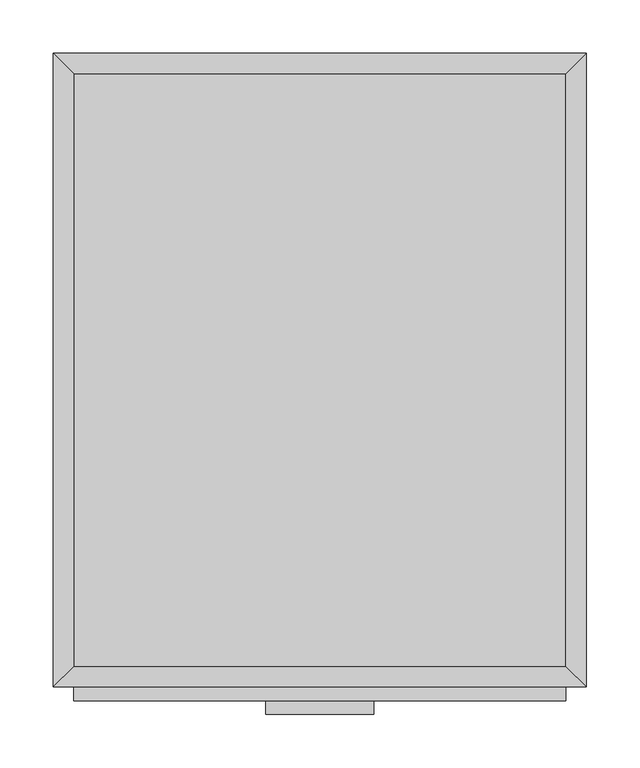
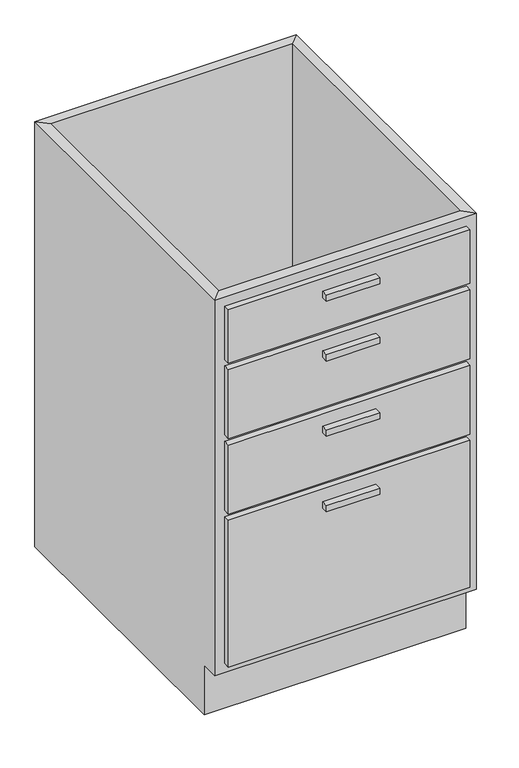
"""IFC4 building model written with IfcOpenShell, lengths in millimetres: furniture geometry."""

from ifc_helpers import new_model, si_unit, frame, origin, place, context, project, spatial, polyline, outline, extrude, faceted_brep, source, transform, mapped, element, save


def furniture_959beec6(model_context):
    return source(origin(), model_context, "Body", "SolidModel", [
        faceted_brep([(249.6877049, -575.95, 860.0), (249.6877049, -575.95, 100.0), (-212.2122951, -575.95, 100.0), (-212.2122951, -575.95, 860.0), (-231.2622951, -595.0, 860.0), (268.7377049, -595.0, 860.0), (-231.2622951, -595.0, 100.0), (268.7377049, -595.0, 100.0), (-212.2122951, -560.0, 100.0), (-212.2122951, -19.05, 100.0), (-212.2122951, -19.05, 860.0), (-231.2622951, 0.0, 860.0), (-231.2622951, 0.0, 0.0), (-231.2622951, -560.0, 0.0), (-231.2622951, -560.0, 100.0), (249.6877049, -19.05, 100.0), (249.6877049, -19.05, 860.0), (268.7377049, 0.0, 860.0), (268.7377049, 0.0, 0.0), (249.6877049, -560.0, 100.0), (268.7377049, -560.0, 100.0), (268.7377049, -560.0, 0.0)], [[[0, 1, 2, 3]], [[0, 3, 4, 5]], [[5, 4, 6, 7]], [[2, 1, 7, 6]], [[3, 2, 8, 9, 10]], [[4, 3, 10, 11]], [[6, 4, 11, 12, 13, 14]], [[2, 6, 14, 8]], [[10, 9, 15, 16]], [[11, 10, 16, 17]], [[12, 11, 17, 18]], [[1, 0, 16, 15, 19]], [[0, 5, 17, 16]], [[5, 7, 20, 21, 18, 17]], [[7, 1, 19, 20]], [[8, 19, 15, 9]], [[18, 21, 13, 12]], [[13, 21, 20, 19, 8, 14]]]),
        extrude(outline(polyline([(69.5377049, -620.4), (-32.0622951, -620.4), (-32.0622951, -607.7), (69.5377049, -607.7), (69.5377049, -620.4)])), frame((0.0, 0.0, 802.85), z_axis=(0.0, 0.0, 1.0), x_axis=(1.0, 0.0, 0.0)), (0.0, 0.0, 1.0), 12.7),
        extrude(outline(polyline([(69.5377049, -620.4), (-32.0622951, -620.4), (-32.0622951, -607.7), (69.5377049, -607.7), (69.5377049, -620.4)])), frame((0.0, 0.0, 682.2), z_axis=(0.0, 0.0, 1.0), x_axis=(1.0, 0.0, 0.0)), (0.0, 0.0, 1.0), 12.7),
        extrude(outline(polyline([(69.5377049, -620.4), (-32.0622951, -620.4), (-32.0622951, -607.7), (69.5377049, -607.7), (69.5377049, -620.4)])), frame((0.0, 0.0, 529.8), z_axis=(0.0, 0.0, 1.0), x_axis=(1.0, 0.0, 0.0)), (0.0, 0.0, 1.0), 12.7),
        extrude(outline(polyline([(69.5377049, -620.4), (-32.0622951, -620.4), (-32.0622951, -607.7), (69.5377049, -607.7), (69.5377049, -620.4)])), frame((0.0, 0.0, 377.4), z_axis=(0.0, 0.0, 1.0), x_axis=(1.0, 0.0, 0.0)), (0.0, 0.0, 1.0), 12.7),
        extrude(outline(polyline([(249.6877049, -607.7), (-212.2122951, -607.7), (-212.2122951, -595.0), (249.6877049, -595.0), (249.6877049, -607.7)])), frame((0.0, 0.0, 733.0), z_axis=(0.0, 0.0, 1.0), x_axis=(1.0, 0.0, 0.0)), (0.0, 0.0, 1.0), 107.95),
        extrude(outline(polyline([(249.6877049, -607.7), (-212.2122951, -607.7), (-212.2122951, -595.0), (249.6877049, -595.0), (249.6877049, -607.7)])), frame((0.0, 0.0, 580.6), z_axis=(0.0, 0.0, 1.0), x_axis=(1.0, 0.0, 0.0)), (0.0, 0.0, 1.0), 139.7),
        extrude(outline(polyline([(249.6877049, -607.7), (-212.2122951, -607.7), (-212.2122951, -595.0), (249.6877049, -595.0), (249.6877049, -607.7)])), frame((0.0, 0.0, 428.2), z_axis=(0.0, 0.0, 1.0), x_axis=(1.0, 0.0, 0.0)), (0.0, 0.0, 1.0), 139.7),
        extrude(outline(polyline([(249.6877049, -607.7), (-212.2122951, -607.7), (-212.2122951, -595.0), (249.6877049, -595.0), (249.6877049, -607.7)])), frame((0.0, 0.0, 119.05), z_axis=(0.0, 0.0, 1.0), x_axis=(1.0, 0.0, 0.0)), (0.0, 0.0, 1.0), 296.45),
        extrude(outline(polyline([(249.6877049, -19.05), (249.6877049, -575.95), (-212.2122951, -575.95), (-212.2122951, -19.05), (249.6877049, -19.05)])), frame((0.0, 0.0, 100.0), z_axis=(0.0, 0.0, 1.0), x_axis=(1.0, 0.0, 0.0)), (0.0, 0.0, 1.0), 19.05),
    ])


if __name__ == "__main__":
    model = new_model("IFC4")
    model_context = context("Model", 3, world=origin())
    ifc_project = project(units=[si_unit("LENGTHUNIT", "METRE", prefix="MILLI")], contexts=[model_context])
    site = spatial("IfcSite", under=ifc_project)
    building = spatial("IfcBuilding", under=site)
    placement = place(None, origin())
    furniture_shape = furniture_959beec6(model_context)
    element("IfcFurniture", 1, at=placement, inside=building, context=model_context, shape_type="MappedRepresentation", body=[
        mapped(furniture_shape, transform((0.0, 0.0, 0.0), x_axis=(1.0, 0.0, 0.0), y_axis=(0.0, 1.0, 0.0), z_axis=(0.0, 0.0, 1.0))),
    ])
    save(model, "model.ifc")
